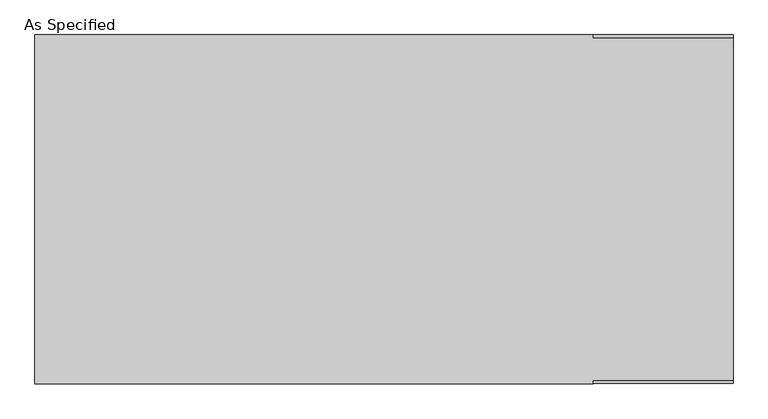
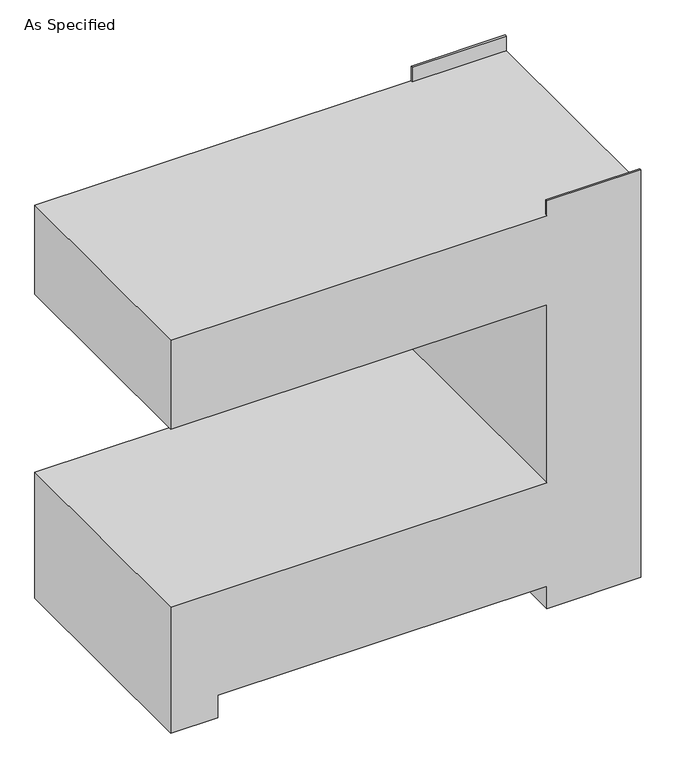
"""IFC4 building model written with IfcOpenShell, lengths in millimetres: proxy geometry, As Specified."""

from ifc_helpers import new_model, si_unit, origin, place, context, project, spatial, faceted_brep, source, transform, mapped, element, save


def as_specified_36aada53(model_context):
    return source(origin(), model_context, "Body", "Brep", [
        faceted_brep([(-762.0, 381.0, 1346.2), (-762.0, -381.0, 1346.2), (457.2, -381.0, 1346.2), (457.2, -374.65, 1346.2), (762.0, -374.65, 1346.2), (762.0, 374.65, 1346.2), (457.2, 374.65, 1346.2), (457.2, 381.0, 1346.2), (762.0, 381.0, 0.0), (762.0, -381.0, 0.0), (457.2, -381.0, 0.0), (457.2, 381.0, 0.0), (-762.0, -381.0, 0.0), (-762.0, 381.0, 0.0), (-609.6, 381.0, 0.0), (-609.6, -381.0, 0.0), (457.2, 381.0, 76.2), (-609.6, 381.0, 76.2), (-762.0, 381.0, 431.8), (457.2, 381.0, 431.8), (457.2, 381.0, 1041.4), (-762.0, 381.0, 1041.4), (457.2, 381.0, 1397.0), (762.0, 381.0, 1397.0), (-762.0, -381.0, 1041.4), (-762.0, -381.0, 431.8), (-609.6, -381.0, 76.2), (457.2, -381.0, 76.2), (762.0, -381.0, 1397.0), (457.2, -381.0, 1397.0), (457.2, -381.0, 1041.4), (457.2, -381.0, 431.8), (762.0, 374.65, 1397.0), (762.0, -374.65, 1397.0), (457.2, -374.65, 1397.0), (457.2, 374.65, 1397.0)], [[[0, 1, 2, 3, 4, 5, 6, 7]], [[8, 9, 10, 11]], [[12, 13, 14, 15]], [[8, 11, 16, 17, 14, 13, 18, 19, 20, 21, 0, 7, 22, 23]], [[1, 0, 21, 24]], [[13, 12, 25, 18]], [[25, 12, 15, 26, 27, 10, 9, 28, 29, 2, 1, 24, 30, 31]], [[9, 8, 23, 32, 5, 4, 33, 28]], [[31, 19, 18, 25]], [[19, 31, 30, 20]], [[20, 30, 24, 21]], [[17, 26, 15, 14]], [[27, 16, 11, 10]], [[26, 17, 16, 27]], [[29, 34, 3, 2]], [[34, 29, 28, 33]], [[3, 34, 33, 4]], [[22, 7, 6, 35]], [[22, 35, 32, 23]], [[35, 6, 5, 32]]]),
    ])


if __name__ == "__main__":
    model = new_model("IFC4")
    model_context = context("Model", 3, world=origin())
    ifc_project = project(units=[si_unit("LENGTHUNIT", "METRE", prefix="MILLI")], contexts=[model_context])
    site = spatial("IfcSite", under=ifc_project)
    building = spatial("IfcBuilding", under=site)
    placement = place(None, origin())
    as_specified_shape = as_specified_36aada53(model_context)
    element("IfcBuildingElementProxy", 1, Name="As Specified", ObjectType="As Specified", at=placement, inside=building, context=model_context, shape_type="MappedRepresentation", body=[
        mapped(as_specified_shape, transform((0.0, 0.0, 0.0), x_axis=(1.0, 0.0, 0.0), y_axis=(0.0, 1.0, 0.0), z_axis=(0.0, 0.0, 1.0))),
    ])
    save(model, "model.ifc")
